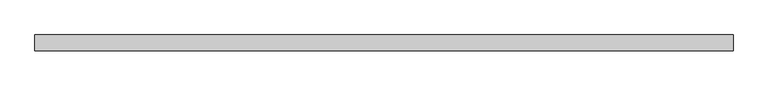
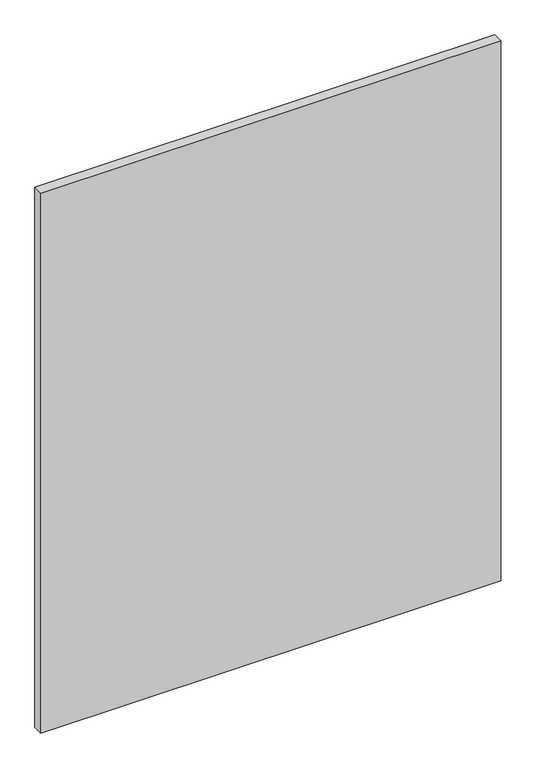
"""IFC4 building model written with IfcOpenShell, lengths in millimetres: plate geometry."""

from ifc_helpers import new_model, si_unit, origin, origin_with_axes, place, context, project, spatial, polyline, outline, extrude, source, transform, mapped, element, save


def plate_6c380196(model_context):
    return source(origin(), model_context, "Body", "SweptSolid", [
        extrude(outline(polyline([(709.3105056, -15.875), (-709.3105056, -15.875), (-709.3105056, 15.875), (709.3105056, 15.875), (709.3105056, -15.875)])), origin_with_axes(), (0.0, 0.0, 1.0), 1761.2320313),
    ])


if __name__ == "__main__":
    model = new_model("IFC4")
    model_context = context("Model", 3, world=origin())
    ifc_project = project(units=[si_unit("LENGTHUNIT", "METRE", prefix="MILLI")], contexts=[model_context])
    site = spatial("IfcSite", under=ifc_project)
    building = spatial("IfcBuilding", under=site)
    placement = place(None, origin())
    plate_shape = plate_6c380196(model_context)
    element("IfcPlate", 1, at=placement, inside=building, context=model_context, shape_type="MappedRepresentation", body=[
        mapped(plate_shape, transform((0.0, 0.0, 0.0), x_axis=(1.0, 0.0, 0.0), y_axis=(0.0, 1.0, 0.0), z_axis=(0.0, 0.0, 1.0))),
    ])
    save(model, "model.ifc")
